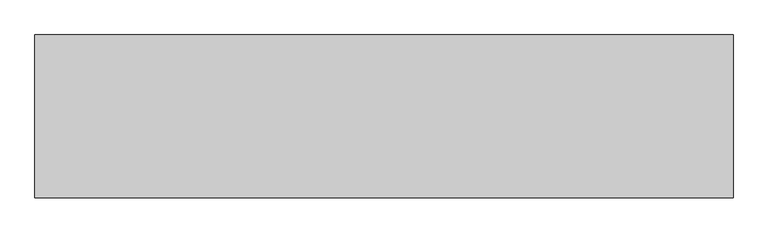
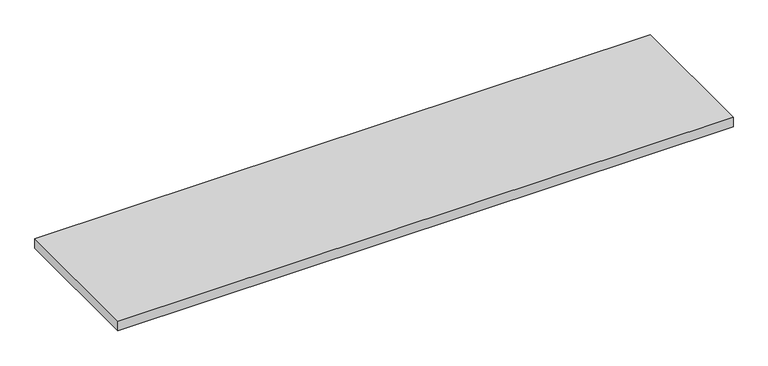
"""IFC4 building model written with IfcOpenShell, lengths in millimetres: furniture geometry."""

from ifc_helpers import new_model, si_unit, frame, origin, place, context, project, spatial, polyline, outline, extrude, source, transform, mapped, element, save


def furniture_4958eede(model_context):
    return source(origin(), model_context, "Body", "SweptSolid", [
        extrude(outline(polyline([(762.0, -355.6), (-762.0, -355.6), (-762.0, 0.0), (762.0, 0.0), (762.0, -355.6)])), frame((0.0, 0.0, 1228.725), z_axis=(0.0, 0.0, 1.0), x_axis=(1.0, 0.0, 0.0)), (0.0, 0.0, 1.0), 25.4),
    ])


if __name__ == "__main__":
    model = new_model("IFC4")
    model_context = context("Model", 3, world=origin())
    ifc_project = project(units=[si_unit("LENGTHUNIT", "METRE", prefix="MILLI")], contexts=[model_context])
    site = spatial("IfcSite", under=ifc_project)
    building = spatial("IfcBuilding", under=site)
    placement = place(None, origin())
    furniture_shape = furniture_4958eede(model_context)
    element("IfcFurniture", 1, at=placement, inside=building, context=model_context, shape_type="MappedRepresentation", body=[
        mapped(furniture_shape, transform((0.0, 0.0, 0.0), x_axis=(1.0, 0.0, 0.0), y_axis=(0.0, 1.0, 0.0), z_axis=(0.0, 0.0, 1.0))),
    ])
    save(model, "model.ifc")
